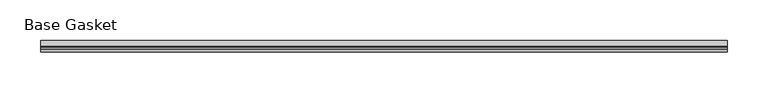
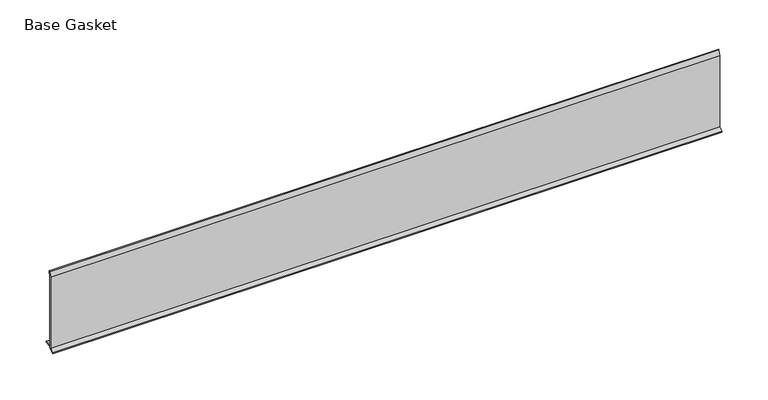
"""IFC4 building model written with IfcOpenShell, lengths in millimetres: furniture geometry, Base Gasket."""

import ifcopenshell
import ifcopenshell.guid

model = None  # the IFC model being written
_history = None  # IfcOwnerHistory: only IFC2X3 demands one
_inside = {}  # id of a spatial element -> (the spatial element, [elements in it])
_under = {}  # id of a project, library or spatial element -> (it, [spatial elements below it])
_declared = {}  # id of a project -> (the project, [libraries it declares])
_typed = {}  # id of a type object -> (the type object, [elements of that type])
_made_of = {}  # id of a material, layer set ... -> (it, [elements and type objects made of it])


def new_model(schema):
    """Start an empty IFC model of exactly this schema.

    Asked for "IFC4X3", IfcOpenShell would pick the latest addendum, in which some entities
    have other attributes; the version numbers below select the first issue.
    IFC2X3 requires an IfcOwnerHistory on every rooted entity: one is made here for all.
    """
    global model, _history
    if schema == "IFC4X3":
        model = ifcopenshell.file(schema_version=(4, 3, 0, 0))
    else:
        model = ifcopenshell.file(schema=schema)
    _inside.clear()
    _under.clear()
    _declared.clear()
    _typed.clear()
    _made_of.clear()
    _history = None
    if model.schema == "IFC2X3":
        org = make("IfcOrganization", Name="unknown")
        user = make(
            "IfcPersonAndOrganization",
            ThePerson=make("IfcPerson", FamilyName="unknown"),
            TheOrganization=org,
        )
        app = make(
            "IfcApplication",
            ApplicationDeveloper=org,
            Version="unknown",
            ApplicationFullName="unknown",
            ApplicationIdentifier="unknown",
        )
        _history = make(
            "IfcOwnerHistory",
            OwningUser=user,
            OwningApplication=app,
            ChangeAction="ADDED",
            CreationDate=0,
        )
    return model


def make(cls, **values):
    """One entity of the class cls with the attributes given. An attribute that is None is left unset."""
    return model.create_entity(
        cls, **{name: value for name, value in values.items() if value is not None}
    )


def rooted(cls, **values):
    """An entity with a GlobalId (a new one), such as an element, a storey or a relation."""
    return make(cls, GlobalId=ifcopenshell.guid.new(), OwnerHistory=_history, **values)


def si_unit(unit_type, name, prefix=None):
    """IfcSIUnit, for example si_unit("LENGTHUNIT", "METRE", prefix="MILLI")."""
    return make("IfcSIUnit", UnitType=unit_type, Prefix=prefix, Name=name)


def assignment(units):
    """IfcUnitAssignment: the units of a project."""
    return None if units is None else make("IfcUnitAssignment", Units=units)


def point(xyz):
    """IfcCartesianPoint."""
    return None if xyz is None else make("IfcCartesianPoint", Coordinates=xyz)


def direction(xyz):
    """IfcDirection."""
    return None if xyz is None else make("IfcDirection", DirectionRatios=xyz)


def frame(location, z_axis=None, x_axis=None):
    """IfcAxis2Placement3D, a coordinate frame: its origin and axes. An axis left out is left unset."""
    return make(
        "IfcAxis2Placement3D",
        Location=point(location),
        Axis=direction(z_axis),
        RefDirection=direction(x_axis),
    )


def origin():
    """The frame at (0, 0, 0) with its axes left unset."""
    return frame((0.0, 0.0, 0.0))


def place(relative_to, where):
    """IfcLocalPlacement: puts the frame where relative to a parent placement (None: the world)."""
    return make(
        "IfcLocalPlacement", PlacementRelTo=relative_to, RelativePlacement=where
    )


def context(
    kind, dimensions, precision=None, world=None, true_north=None, identifier=None
):
    """IfcGeometricRepresentationContext, for example the 3D "Model" context."""
    return make(
        "IfcGeometricRepresentationContext",
        ContextIdentifier=identifier,
        ContextType=kind,
        CoordinateSpaceDimension=dimensions,
        Precision=precision,
        WorldCoordinateSystem=world,
        TrueNorth=true_north,
    )


def project(units=None, contexts=None):
    """IfcProject with its units and contexts."""
    return rooted(
        "IfcProject",
        Name="project",
        RepresentationContexts=contexts,
        UnitsInContext=assignment(units),
    )


def spatial(cls, under=None, at=None, **own):
    """A site, building, storey or space (cls), placed at a placement, below another one or the project."""
    s = rooted(cls, ObjectPlacement=at, **own)
    if under is not None:
        _under.setdefault(under.id(), (under, []))[1].append(s)
    return s


def polyline(points):
    """IfcPolyline through the points."""
    return make("IfcPolyline", Points=[point(p) for p in points])


def outline(outer, holes=None, kind="AREA"):
    """IfcArbitraryClosedProfileDef: a profile drawn as a closed curve; with holes, ...WithVoids."""
    if holes is None:
        return make("IfcArbitraryClosedProfileDef", ProfileType=kind, OuterCurve=outer)
    return make(
        "IfcArbitraryProfileDefWithVoids",
        ProfileType=kind,
        OuterCurve=outer,
        InnerCurves=holes,
    )


def extrude(swept, where, along, depth):
    """IfcExtrudedAreaSolid: the profile swept, set in the frame where, extruded along a direction by depth."""
    return make(
        "IfcExtrudedAreaSolid",
        SweptArea=swept,
        Position=where,
        ExtrudedDirection=direction(along),
        Depth=depth,
    )


def shape(context_of_items, identifier, shape_type, items):
    """IfcShapeRepresentation: the items that make up one representation, for example the "Body"."""
    return make(
        "IfcShapeRepresentation",
        ContextOfItems=context_of_items,
        RepresentationIdentifier=identifier,
        RepresentationType=shape_type,
        Items=items,
    )


def source(mapping_origin, context_of_items, identifier, shape_type, items):
    """IfcRepresentationMap: a shape defined once, which mapped items show again and again."""
    return make(
        "IfcRepresentationMap",
        MappingOrigin=mapping_origin,
        MappedRepresentation=shape(context_of_items, identifier, shape_type, items),
    )


def transform(
    local_origin,
    x_axis=None,
    y_axis=None,
    z_axis=None,
    scale=None,
    scale2=None,
    scale3=None,
    uniform=True,
):
    """IfcCartesianTransformationOperator3D, or its non-uniform kind. x_axis, y_axis, z_axis: its Axis1, 2, 3."""
    if uniform:
        return make(
            "IfcCartesianTransformationOperator3D",
            Axis1=direction(x_axis),
            Axis2=direction(y_axis),
            LocalOrigin=point(local_origin),
            Scale=scale,
            Axis3=direction(z_axis),
        )
    return make(
        "IfcCartesianTransformationOperator3DnonUniform",
        Axis1=direction(x_axis),
        Axis2=direction(y_axis),
        LocalOrigin=point(local_origin),
        Scale=scale,
        Axis3=direction(z_axis),
        Scale2=scale2,
        Scale3=scale3,
    )


def mapped(mapping_source, mapping_target):
    """IfcMappedItem: shows the shape of a source again, moved by a transform."""
    return make(
        "IfcMappedItem", MappingSource=mapping_source, MappingTarget=mapping_target
    )


def made_of(thing, what):
    """Note that an element or type object is made of a material, layer set ...; save() writes the relation."""
    if what is not None:
        _made_of.setdefault(what.id(), (what, []))[1].append(thing)
    return thing


def element(
    cls,
    number,
    at=None,
    inside=None,
    cuts=None,
    type_object=None,
    material=None,
    context=None,
    identifier="Body",
    shape_type=None,
    held_by="IfcProductDefinitionShape",
    body=None,
    shapes=None,
    **own,
):
    """One element of the class cls, such as IfcWall. Its Tag is "e" and its number.

    at: its placement. inside: the storey or other place that contains it. cuts: it is an
    opening in that element (IfcRelVoidsElement). A single representation is given by context,
    identifier, shape_type and body (its items); several are given by shapes. held_by: the class
    of the entity that holds the representations. save() writes the other relations.
    """
    e = rooted(cls, Tag="e%d" % number, ObjectPlacement=at, **own)
    if body is not None:
        shapes = [shape(context, identifier, shape_type, body)]
    if shapes is not None:
        e.Representation = make(held_by, Representations=shapes)
    if inside is not None:
        _inside.setdefault(inside.id(), (inside, []))[1].append(e)
    if cuts is not None:
        rooted(
            "IfcRelVoidsElement", RelatingBuildingElement=cuts, RelatedOpeningElement=e
        )
    if type_object is not None:
        _typed.setdefault(type_object.id(), (type_object, []))[1].append(e)
    return made_of(e, material)


def aggregate(whole, parts):
    """IfcRelAggregates: a whole, such as a stair, and the parts it consists of."""
    return rooted("IfcRelAggregates", RelatingObject=whole, RelatedObjects=parts)


def save(model, path):
    """Write the relations noted so far, then the file.

    IfcRelAggregates (storeys below a building ...), IfcRelContainedInSpatialStructure (elements
    in a storey), IfcRelDefinesByType, IfcRelAssociatesMaterial and IfcRelDeclares: one each for
    every whole, place, type object, material and project.
    """
    for whole, parts in _under.values():
        aggregate(whole, parts)
    for where, things in _inside.values():
        rooted(
            "IfcRelContainedInSpatialStructure",
            RelatedElements=things,
            RelatingStructure=where,
        )
    for kind, things in _typed.values():
        rooted("IfcRelDefinesByType", RelatedObjects=things, RelatingType=kind)
    for what, things in _made_of.values():
        rooted("IfcRelAssociatesMaterial", RelatedObjects=things, RelatingMaterial=what)
    for by, libraries in _declared.values():
        rooted("IfcRelDeclares", RelatingContext=by, RelatedDefinitions=libraries)
    model.write(path)


def base_gasket_aaf5a6a1(model_context):
    return source(origin(), model_context, "Body", "SweptSolid", [
        extrude(outline(polyline([(-3.7283812, 98.4568417), (-1.1891543, 104.587663), (-0.6755308, 105.2002997), (-0.6755308, 104.4162708), (-2.2043812, 98.4568417), (-2.2043812, 96.8693477), (-1.4106313, 96.8693477), (-1.4106313, 71.4693447), (-2.2043812, 71.4693447), (-2.2043812, 7.9398773), (6.2405171, 7.9398773), (6.2405171, 6.3818476), (-2.1334222, 6.3818476), (-2.2043812, 4.3498477), (-6.8281054, 0.3520979), (-7.8482342, 0.0), (-7.4222115, 0.6560174), (-3.7283812, 4.3498477), (-3.7283812, 98.4568417)])), frame((-1527.8982117, 0.0, 0.0), z_axis=(1.0, 0.0, 0.0), x_axis=(0.0, 1.0, 0.0)), (0.0, 0.0, 1.0), 838.2),
    ])


if __name__ == "__main__":
    model = new_model("IFC4")
    model_context = context("Model", 3, world=origin())
    ifc_project = project(units=[si_unit("LENGTHUNIT", "METRE", prefix="MILLI")], contexts=[model_context])
    site = spatial("IfcSite", under=ifc_project)
    building = spatial("IfcBuilding", under=site)
    placement = place(None, origin())
    base_gasket_shape = base_gasket_aaf5a6a1(model_context)
    element("IfcFurniture", 1, ObjectType="Base Gasket", at=placement, inside=building, context=model_context, shape_type="MappedRepresentation", body=[
        mapped(base_gasket_shape, transform((0.0, 0.0, 0.0), x_axis=(1.0, 0.0, 0.0), y_axis=(0.0, 1.0, 0.0), z_axis=(0.0, 0.0, 1.0))),
    ])
    save(model, "model.ifc")
